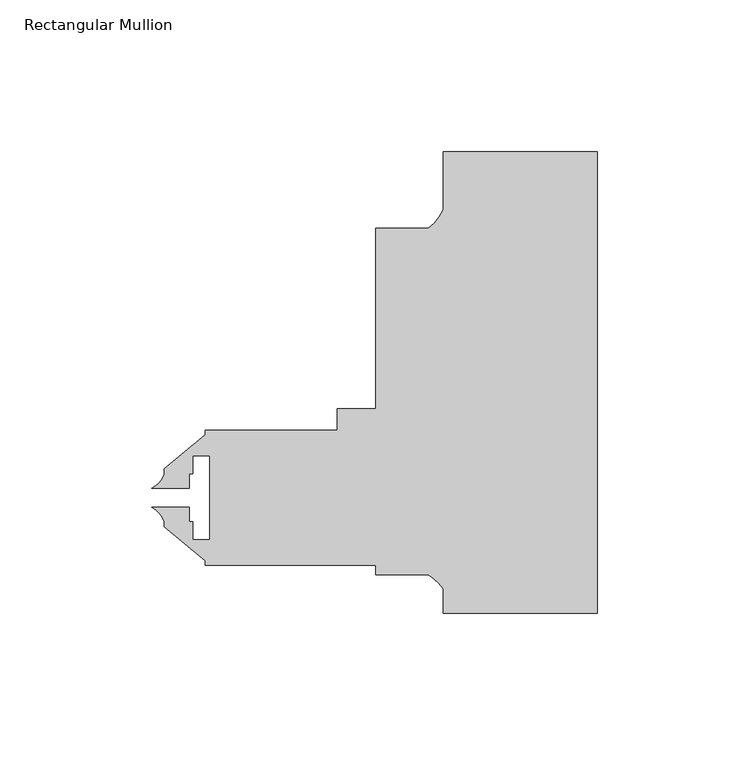
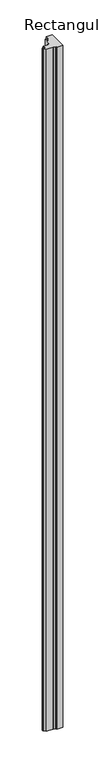
"""IFC4 building model written with IfcOpenShell, lengths in millimetres: member geometry, Rectangular Mullion."""

from ifc_helpers import new_model, si_unit, point, frame, frame_2d, origin, place, context, project, spatial, polyline, circle_curve, trimmed, segment, composite_curve, outline, extrude, source, transform, mapped, element, save


def rectangular_mullion_32796974(model_context):
    return source(origin(), model_context, "Body", "SweptSolid", [
        extrude(outline(composite_curve([segment(polyline([(0.0, 76.2), (0.0, -76.2), (-50.8, -76.2), (-50.8, -68.0484593)]), True, "CONTINUOUS"), segment(trimmed(circle_curve(frame_2d((-62.7094364, -76.0756632)), 14.3621265), [point((-50.8, -68.0484593))], [point((-55.7723352, -63.5))], True, "CARTESIAN"), True, "CONTINUOUS"), segment(polyline([(-55.7723352, -63.5), (-73.0249898, -63.5), (-73.0249898, -60.325), (-129.3812398, -60.325), (-129.3812398, -58.9308333), (-142.8432398, -47.634874), (-142.8432398, -45.9467397)]), True, "CONTINUOUS"), segment(trimmed(circle_curve(frame_2d((-150.2192422, -48.3368961)), 7.7535965), [point((-142.8432398, -45.9467397))], [point((-147.041063, -41.2645955))], True, "CARTESIAN"), True, "CONTINUOUS"), segment(polyline([(-147.041063, -41.2645955), (-134.5484698, -41.2645955), (-134.5484698, -46.02734), (-133.4198398, -46.02734), (-133.4198398, -51.99634), (-127.8064398, -51.99634), (-127.8064398, -24.20874), (-133.4198398, -24.20874), (-133.4198398, -30.17774), (-134.5484698, -30.17774), (-134.5484698, -34.9404779), (-147.0410482, -34.9404779)]), True, "CONTINUOUS"), segment(trimmed(circle_curve(frame_2d((-150.2192422, -27.8681839)), 7.7535965), [point((-147.0410482, -34.9404779))], [point((-142.8432398, -30.2583403))], True, "CARTESIAN"), True, "CONTINUOUS"), segment(polyline([(-142.8432398, -30.2583403), (-142.8432398, -28.570206), (-129.3812398, -17.2742467), (-129.3812398, -15.875), (-85.7249898, -15.875), (-85.7249898, -8.662745), (-73.0249898, -8.662745), (-73.0249898, 50.8), (-55.6934749, 50.8)]), True, "CONTINUOUS"), segment(trimmed(circle_curve(frame_2d((-64.9144522, 63.081361)), 15.3576772), [point((-55.6934749, 50.8))], [point((-50.8, 57.0282223))], True, "CARTESIAN"), True, "CONTINUOUS"), segment(polyline([(-50.8, 57.0282223), (-50.8, 76.2), (0.0, 76.2)]), True, "CONTINUOUS")], self_intersect=False)), frame((0.0, 0.0, -6096.0), z_axis=(0.0, 0.0, 1.0), x_axis=(1.0, 0.0, 0.0)), (0.0, 0.0, 1.0), 6096.0),
    ])


if __name__ == "__main__":
    model = new_model("IFC4")
    model_context = context("Model", 3, world=origin())
    ifc_project = project(units=[si_unit("LENGTHUNIT", "METRE", prefix="MILLI")], contexts=[model_context])
    site = spatial("IfcSite", under=ifc_project)
    building = spatial("IfcBuilding", under=site)
    placement = place(None, origin())
    rectangular_mullion_shape = rectangular_mullion_32796974(model_context)
    element("IfcMember", 1, ObjectType="Rectangular Mullion", at=placement, inside=building, context=model_context, shape_type="MappedRepresentation", body=[
        mapped(rectangular_mullion_shape, transform((0.0, 0.0, 0.0), x_axis=(1.0, 0.0, 0.0), y_axis=(0.0, 1.0, 0.0), z_axis=(0.0, 0.0, 1.0))),
    ])
    save(model, "model.ifc")
